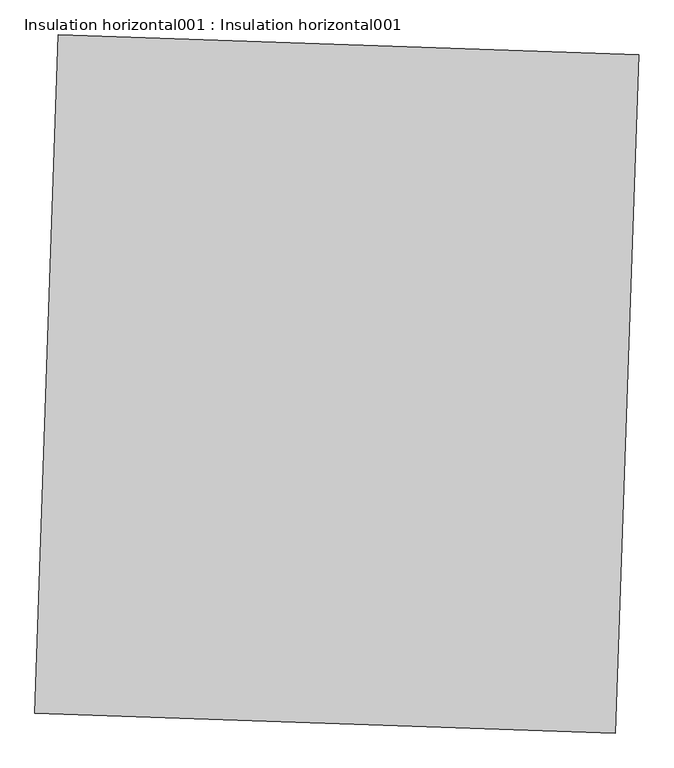
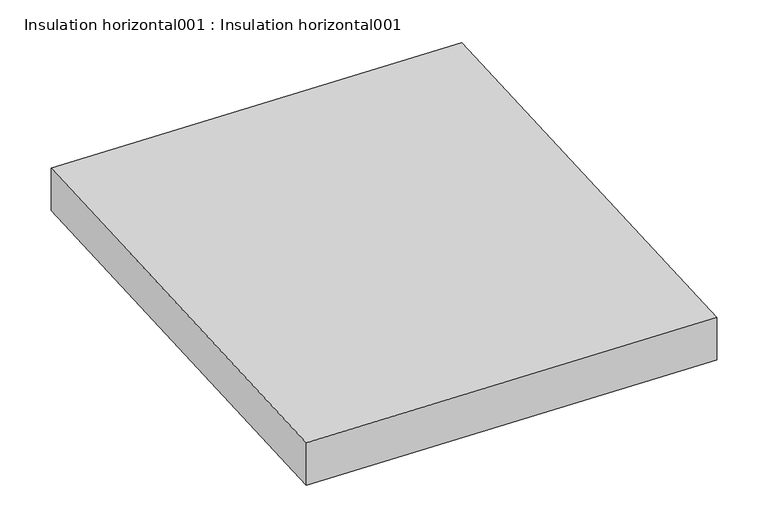
"""IFC4 building model written with IfcOpenShell, lengths in millimetres: proxy geometry, Insulation horizontal001 : Insulation horizontal001."""

import ifcopenshell
import ifcopenshell.guid

model = None  # the IFC model being written
_history = None  # IfcOwnerHistory: only IFC2X3 demands one
_inside = {}  # id of a spatial element -> (the spatial element, [elements in it])
_under = {}  # id of a project, library or spatial element -> (it, [spatial elements below it])
_declared = {}  # id of a project -> (the project, [libraries it declares])
_typed = {}  # id of a type object -> (the type object, [elements of that type])
_made_of = {}  # id of a material, layer set ... -> (it, [elements and type objects made of it])


def new_model(schema):
    """Start an empty IFC model of exactly this schema.

    Asked for "IFC4X3", IfcOpenShell would pick the latest addendum, in which some entities
    have other attributes; the version numbers below select the first issue.
    IFC2X3 requires an IfcOwnerHistory on every rooted entity: one is made here for all.
    """
    global model, _history
    if schema == "IFC4X3":
        model = ifcopenshell.file(schema_version=(4, 3, 0, 0))
    else:
        model = ifcopenshell.file(schema=schema)
    _inside.clear()
    _under.clear()
    _declared.clear()
    _typed.clear()
    _made_of.clear()
    _history = None
    if model.schema == "IFC2X3":
        org = make("IfcOrganization", Name="unknown")
        user = make(
            "IfcPersonAndOrganization",
            ThePerson=make("IfcPerson", FamilyName="unknown"),
            TheOrganization=org,
        )
        app = make(
            "IfcApplication",
            ApplicationDeveloper=org,
            Version="unknown",
            ApplicationFullName="unknown",
            ApplicationIdentifier="unknown",
        )
        _history = make(
            "IfcOwnerHistory",
            OwningUser=user,
            OwningApplication=app,
            ChangeAction="ADDED",
            CreationDate=0,
        )
    return model


def make(cls, **values):
    """One entity of the class cls with the attributes given. An attribute that is None is left unset."""
    return model.create_entity(
        cls, **{name: value for name, value in values.items() if value is not None}
    )


def rooted(cls, **values):
    """An entity with a GlobalId (a new one), such as an element, a storey or a relation."""
    return make(cls, GlobalId=ifcopenshell.guid.new(), OwnerHistory=_history, **values)


def si_unit(unit_type, name, prefix=None):
    """IfcSIUnit, for example si_unit("LENGTHUNIT", "METRE", prefix="MILLI")."""
    return make("IfcSIUnit", UnitType=unit_type, Prefix=prefix, Name=name)


def assignment(units):
    """IfcUnitAssignment: the units of a project."""
    return None if units is None else make("IfcUnitAssignment", Units=units)


def point(xyz):
    """IfcCartesianPoint."""
    return None if xyz is None else make("IfcCartesianPoint", Coordinates=xyz)


def direction(xyz):
    """IfcDirection."""
    return None if xyz is None else make("IfcDirection", DirectionRatios=xyz)


def frame(location, z_axis=None, x_axis=None):
    """IfcAxis2Placement3D, a coordinate frame: its origin and axes. An axis left out is left unset."""
    return make(
        "IfcAxis2Placement3D",
        Location=point(location),
        Axis=direction(z_axis),
        RefDirection=direction(x_axis),
    )


def origin():
    """The frame at (0, 0, 0) with its axes left unset."""
    return frame((0.0, 0.0, 0.0))


def place(relative_to, where):
    """IfcLocalPlacement: puts the frame where relative to a parent placement (None: the world)."""
    return make(
        "IfcLocalPlacement", PlacementRelTo=relative_to, RelativePlacement=where
    )


def context(
    kind, dimensions, precision=None, world=None, true_north=None, identifier=None
):
    """IfcGeometricRepresentationContext, for example the 3D "Model" context."""
    return make(
        "IfcGeometricRepresentationContext",
        ContextIdentifier=identifier,
        ContextType=kind,
        CoordinateSpaceDimension=dimensions,
        Precision=precision,
        WorldCoordinateSystem=world,
        TrueNorth=true_north,
    )


def project(units=None, contexts=None):
    """IfcProject with its units and contexts."""
    return rooted(
        "IfcProject",
        Name="project",
        RepresentationContexts=contexts,
        UnitsInContext=assignment(units),
    )


def spatial(cls, under=None, at=None, **own):
    """A site, building, storey or space (cls), placed at a placement, below another one or the project."""
    s = rooted(cls, ObjectPlacement=at, **own)
    if under is not None:
        _under.setdefault(under.id(), (under, []))[1].append(s)
    return s


def polyline(points):
    """IfcPolyline through the points."""
    return make("IfcPolyline", Points=[point(p) for p in points])


def outline(outer, holes=None, kind="AREA"):
    """IfcArbitraryClosedProfileDef: a profile drawn as a closed curve; with holes, ...WithVoids."""
    if holes is None:
        return make("IfcArbitraryClosedProfileDef", ProfileType=kind, OuterCurve=outer)
    return make(
        "IfcArbitraryProfileDefWithVoids",
        ProfileType=kind,
        OuterCurve=outer,
        InnerCurves=holes,
    )


def extrude(swept, where, along, depth):
    """IfcExtrudedAreaSolid: the profile swept, set in the frame where, extruded along a direction by depth."""
    return make(
        "IfcExtrudedAreaSolid",
        SweptArea=swept,
        Position=where,
        ExtrudedDirection=direction(along),
        Depth=depth,
    )


def shape(context_of_items, identifier, shape_type, items):
    """IfcShapeRepresentation: the items that make up one representation, for example the "Body"."""
    return make(
        "IfcShapeRepresentation",
        ContextOfItems=context_of_items,
        RepresentationIdentifier=identifier,
        RepresentationType=shape_type,
        Items=items,
    )


def source(mapping_origin, context_of_items, identifier, shape_type, items):
    """IfcRepresentationMap: a shape defined once, which mapped items show again and again."""
    return make(
        "IfcRepresentationMap",
        MappingOrigin=mapping_origin,
        MappedRepresentation=shape(context_of_items, identifier, shape_type, items),
    )


def transform(
    local_origin,
    x_axis=None,
    y_axis=None,
    z_axis=None,
    scale=None,
    scale2=None,
    scale3=None,
    uniform=True,
):
    """IfcCartesianTransformationOperator3D, or its non-uniform kind. x_axis, y_axis, z_axis: its Axis1, 2, 3."""
    if uniform:
        return make(
            "IfcCartesianTransformationOperator3D",
            Axis1=direction(x_axis),
            Axis2=direction(y_axis),
            LocalOrigin=point(local_origin),
            Scale=scale,
            Axis3=direction(z_axis),
        )
    return make(
        "IfcCartesianTransformationOperator3DnonUniform",
        Axis1=direction(x_axis),
        Axis2=direction(y_axis),
        LocalOrigin=point(local_origin),
        Scale=scale,
        Axis3=direction(z_axis),
        Scale2=scale2,
        Scale3=scale3,
    )


def mapped(mapping_source, mapping_target):
    """IfcMappedItem: shows the shape of a source again, moved by a transform."""
    return make(
        "IfcMappedItem", MappingSource=mapping_source, MappingTarget=mapping_target
    )


def made_of(thing, what):
    """Note that an element or type object is made of a material, layer set ...; save() writes the relation."""
    if what is not None:
        _made_of.setdefault(what.id(), (what, []))[1].append(thing)
    return thing


def element(
    cls,
    number,
    at=None,
    inside=None,
    cuts=None,
    type_object=None,
    material=None,
    context=None,
    identifier="Body",
    shape_type=None,
    held_by="IfcProductDefinitionShape",
    body=None,
    shapes=None,
    **own,
):
    """One element of the class cls, such as IfcWall. Its Tag is "e" and its number.

    at: its placement. inside: the storey or other place that contains it. cuts: it is an
    opening in that element (IfcRelVoidsElement). A single representation is given by context,
    identifier, shape_type and body (its items); several are given by shapes. held_by: the class
    of the entity that holds the representations. save() writes the other relations.
    """
    e = rooted(cls, Tag="e%d" % number, ObjectPlacement=at, **own)
    if body is not None:
        shapes = [shape(context, identifier, shape_type, body)]
    if shapes is not None:
        e.Representation = make(held_by, Representations=shapes)
    if inside is not None:
        _inside.setdefault(inside.id(), (inside, []))[1].append(e)
    if cuts is not None:
        rooted(
            "IfcRelVoidsElement", RelatingBuildingElement=cuts, RelatedOpeningElement=e
        )
    if type_object is not None:
        _typed.setdefault(type_object.id(), (type_object, []))[1].append(e)
    return made_of(e, material)


def aggregate(whole, parts):
    """IfcRelAggregates: a whole, such as a stair, and the parts it consists of."""
    return rooted("IfcRelAggregates", RelatingObject=whole, RelatedObjects=parts)


def save(model, path):
    """Write the relations noted so far, then the file.

    IfcRelAggregates (storeys below a building ...), IfcRelContainedInSpatialStructure (elements
    in a storey), IfcRelDefinesByType, IfcRelAssociatesMaterial and IfcRelDeclares: one each for
    every whole, place, type object, material and project.
    """
    for whole, parts in _under.values():
        aggregate(whole, parts)
    for where, things in _inside.values():
        rooted(
            "IfcRelContainedInSpatialStructure",
            RelatedElements=things,
            RelatingStructure=where,
        )
    for kind, things in _typed.values():
        rooted("IfcRelDefinesByType", RelatedObjects=things, RelatingType=kind)
    for what, things in _made_of.values():
        rooted("IfcRelAssociatesMaterial", RelatedObjects=things, RelatingMaterial=what)
    for by, libraries in _declared.values():
        rooted("IfcRelDeclares", RelatingContext=by, RelatedDefinitions=libraries)
    model.write(path)


def insulation_horizontal001_insulation_horizontal001_acf4dc88(model_context):
    return source(origin(), model_context, "Body", "SweptSolid", [
        extrude(outline(polyline([(34355.2680219, -15459.5521037), (34318.7299451, -16527.2362453), (33404.8649167, -16495.962136), (33441.4029935, -15428.2779944), (34355.2680219, -15459.5521037)])), frame((0.0, 0.0, 2974.975), z_axis=(0.0, 0.0, 1.0), x_axis=(1.0, 0.0, 0.0)), (0.0, 0.0, 1.0), 101.6),
    ])


if __name__ == "__main__":
    model = new_model("IFC4")
    model_context = context("Model", 3, world=origin())
    ifc_project = project(units=[si_unit("LENGTHUNIT", "METRE", prefix="MILLI")], contexts=[model_context])
    site = spatial("IfcSite", under=ifc_project)
    building = spatial("IfcBuilding", under=site)
    placement = place(None, origin())
    insulation_horizontal001_insulation_horizontal001_shape = insulation_horizontal001_insulation_horizontal001_acf4dc88(model_context)
    element("IfcBuildingElementProxy", 1, Name="Insulation horizontal001 : Insulation horizontal001", ObjectType="Insulation horizontal001 : Insulation horizontal001", at=placement, inside=building, context=model_context, shape_type="MappedRepresentation", body=[
        mapped(insulation_horizontal001_insulation_horizontal001_shape, transform((0.0, 0.0, 0.0), x_axis=(1.0, 0.0, 0.0), y_axis=(0.0, 1.0, 0.0), z_axis=(0.0, 0.0, 1.0))),
    ])
    save(model, "model.ifc")
